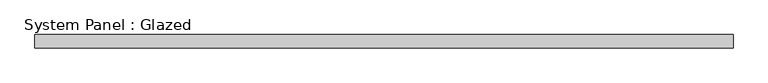
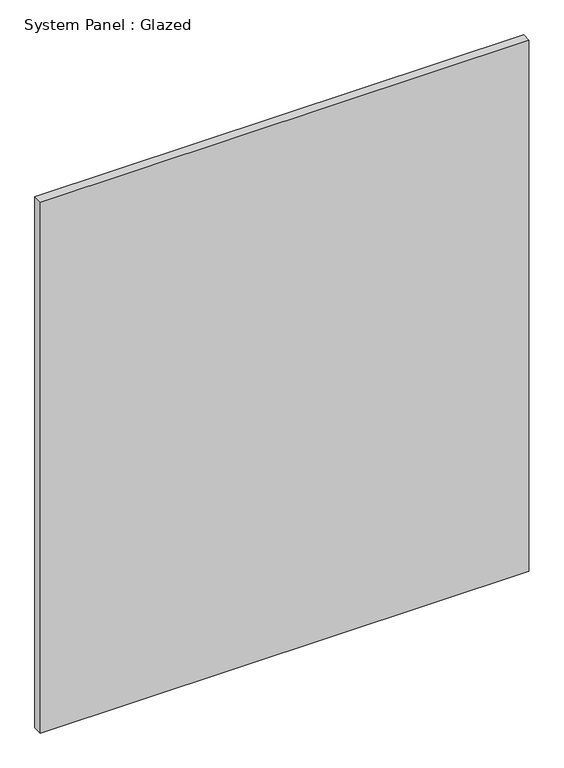
"""IFC4 building model written with IfcOpenShell, lengths in millimetres: plate geometry, System Panel : Glazed."""

from ifc_helpers import new_model, si_unit, origin, origin_with_axes, place, context, project, spatial, polyline, outline, extrude, source, transform, mapped, element, save


def system_panel_glazed_7e5b1054(model_context):
    return source(origin(), model_context, "Body", "SweptSolid", [
        extrude(outline(polyline([(655.3571429, 24.5), (-655.3571429, 24.5), (-655.3571429, 49.5), (655.3571429, 49.5), (655.3571429, 24.5)])), origin_with_axes(), (0.0, 0.0, 1.0), 1506.050088),
    ])


if __name__ == "__main__":
    model = new_model("IFC4")
    model_context = context("Model", 3, world=origin())
    ifc_project = project(units=[si_unit("LENGTHUNIT", "METRE", prefix="MILLI")], contexts=[model_context])
    site = spatial("IfcSite", under=ifc_project)
    building = spatial("IfcBuilding", under=site)
    placement = place(None, origin())
    system_panel_glazed_shape = system_panel_glazed_7e5b1054(model_context)
    element("IfcPlate", 1, ObjectType="System Panel : Glazed", at=placement, inside=building, context=model_context, shape_type="MappedRepresentation", body=[
        mapped(system_panel_glazed_shape, transform((0.0, 0.0, 0.0), x_axis=(1.0, 0.0, 0.0), y_axis=(0.0, 1.0, 0.0), z_axis=(0.0, 0.0, 1.0))),
    ])
    save(model, "model.ifc")
